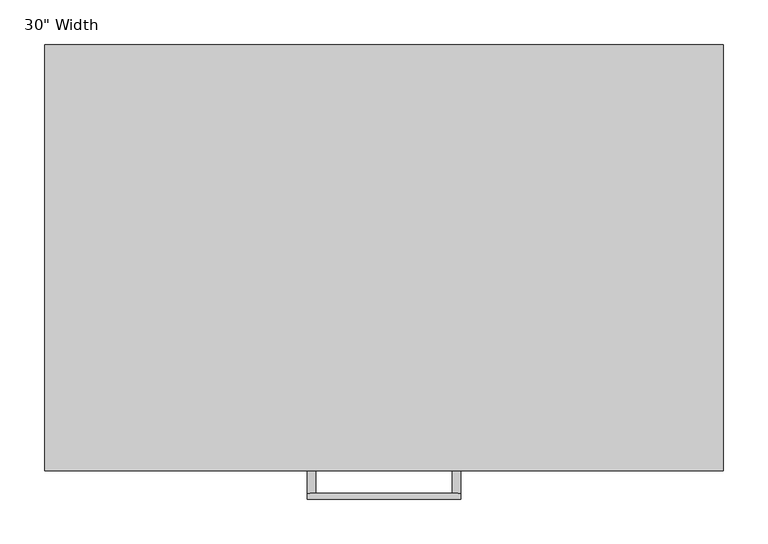
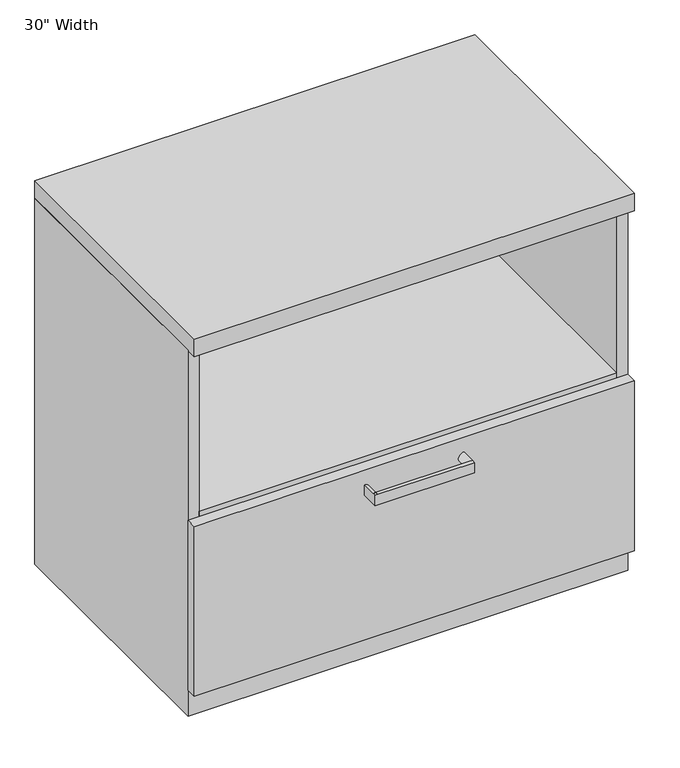
"""IFC4 building model written with IfcOpenShell, lengths in millimetres: furniture geometry."""

from ifc_helpers import new_model, si_unit, frame, origin, place, context, project, spatial, polyline, circle_curve, outline, extrude, faceted_brep, source, transform, mapped, element, save
from ifc_brep_helpers import plane_surface, cylinder_surface, advanced_brep


def furniture_0dea41ea(model_context):
    return source(origin(), model_context, "Body", "SolidModel", [
        advanced_brep(
        [(85.7249909, -507.9999879, 330.2), (-85.7249909, -507.9999879, 330.2), (-85.7249909, -507.9999879, 311.15), (85.7249909, -507.9999879, 311.15), (85.7249909, -501.6500121, 311.15), (-85.7249909, -501.6500121, 311.15), (-85.7249909, -501.6500121, 330.2), (85.7249909, -501.6500121, 330.2), (85.7249909, -476.25, 311.15), (85.7249909, -476.25, 330.2), (-85.7249909, -476.25, 311.15), (-85.7249909, -476.25, 330.2)],
        [
            (0, 1),
            (1, 2),
            (2, 3),
            (3, 0),
            (4, 5),
            (5, 6, circle_curve(frame((-85.7249909, -501.6500121, 320.675), z_axis=(0.0, -1.0, 0.0), x_axis=(1.0, 0.0, 0.0)), 9.525)),
            (6, 7),
            (7, 4, circle_curve(frame((85.7249909, -501.6500121, 320.675), z_axis=(0.0, -1.0, 0.0), x_axis=(-1.0, 0.0, 0.0)), 9.525)),
            (2, 5),
            (4, 3),
            (8, 9, circle_curve(frame((85.7249909, -476.25, 320.675), z_axis=(0.0, 1.0, 0.0), x_axis=(-1.0, 0.0, 0.0)), 9.525)),
            (9, 8),
            (8, 4),
            (7, 9),
            (7, 0),
            (10, 11),
            (11, 10, circle_curve(frame((-85.7249909, -476.25, 320.675), z_axis=(0.0, 1.0, 0.0), x_axis=(1.0, 0.0, 0.0)), 9.525)),
            (11, 6),
            (5, 10),
            (1, 6),
        ],
        [
            plane_surface(frame((-85.7249909, -507.9999879, 330.2), z_axis=(0.0, -1.0, 0.0), x_axis=(-1.0, 0.0, 0.0))),
            plane_surface(frame((-85.7249909, -501.6500121, 330.2), z_axis=(0.0, 1.0, 0.0), x_axis=(1.0, 0.0, 0.0))),
            plane_surface(frame((-85.7249909, -507.9999879, 311.15), z_axis=(0.0, 0.0, -1.0), x_axis=(0.0, 1.0, 0.0))),
            plane_surface(frame((85.7249909, -476.25, 330.2), z_axis=(0.0, 1.0, 0.0), x_axis=(0.0, 0.0, -1.0))),
            cylinder_surface(frame((85.7249909, -476.25, 320.675), z_axis=(0.0, -1.0, 0.0), x_axis=(-1.0, 0.0, 0.0)), 9.525),
            plane_surface(frame((85.7249909, -501.6500121, 311.15), z_axis=(1.0, 0.0, 0.0), x_axis=(0.0, 1.0, 0.0))),
            plane_surface(frame((-76.1999909, -476.25, 320.675), z_axis=(0.0, 1.0, 0.0), x_axis=(0.0, 0.0, -1.0))),
            cylinder_surface(frame((-85.7249909, -476.25, 320.675), z_axis=(0.0, -1.0, 0.0), x_axis=(1.0, 0.0, 0.0)), 9.525),
            plane_surface(frame((-85.7249909, -501.6500121, 330.2), z_axis=(-1.0, 0.0, 0.0), x_axis=(0.0, 1.0, 0.0))),
            plane_surface(frame((85.7249909, -507.9999879, 330.2), z_axis=(0.0, 0.0, 1.0), x_axis=(0.0, 1.0, 0.0))),
        ],
        [
            (0, [[1, 2, 3, 4]]),
            (1, [[5, 6, 7, 8]]),
            (2, [[-3, 9, -5, 10]]),
            (3, [[11, 12]]),
            (4, [[-11, 13, -8, 14]]),
            (5, [[-12, -14, 15, -4, -10, -13]]),
            (6, [[16, 17]]),
            (7, [[-17, 18, -6, 19]]),
            (8, [[-16, -19, -9, -2, 20, -18]]),
            (9, [[-1, -15, -7, -20]]),
        ],
    ),
        extrude(outline(polyline([(379.4125, -457.2), (379.4125, -476.25), (-379.4125, -476.25), (-379.4125, -457.2), (379.4125, -457.2)])), frame((0.0, 0.0, 47.625), z_axis=(0.0, 0.0, 1.0), x_axis=(1.0, 0.0, 0.0)), (0.0, 0.0, 1.0), 309.5625),
        faceted_brep([(379.4125, 0.0, 666.75), (-379.4125, 0.0, 666.75), (-379.4125, -457.2, 666.75), (-360.3625, -457.2, 666.75), (-360.3625, -19.05, 666.75), (360.3625, -19.05, 666.75), (360.3625, -457.2, 666.75), (379.4125, -457.2, 666.75), (379.4125, 0.0, 0.0), (-379.4125, 0.0, 0.0), (-379.4125, -457.2, 0.0), (379.4125, -457.2, 0.0), (360.3625, -457.2, 47.625), (-360.3625, -457.2, 47.625), (-360.3625, -19.05, 47.625), (360.3625, -19.05, 47.625)], [[[0, 1, 2, 3, 4, 5, 6, 7]], [[1, 0, 8, 9]], [[2, 1, 9, 10]], [[8, 0, 7, 11]], [[3, 2, 10, 11, 7, 6, 12, 13]], [[4, 3, 13, 14]], [[5, 4, 14, 15]], [[6, 5, 15, 12]], [[13, 12, 15, 14]], [[8, 11, 10, 9]]]),
        extrude(outline(polyline([(360.3625, -19.05), (360.3625, -457.2), (-360.3625, -457.2), (-360.3625, -19.05), (360.3625, -19.05)])), frame((0.0, 0.0, 347.6625), z_axis=(0.0, 0.0, 1.0), x_axis=(1.0, 0.0, 0.0)), (0.0, 0.0, 1.0), 19.05),
        extrude(outline(polyline([(379.4125, 0.0), (379.4125, -476.25), (-379.4125, -476.25), (-379.4125, 0.0), (379.4125, 0.0)])), frame((0.0, 0.0, 666.75), z_axis=(0.0, 0.0, 1.0), x_axis=(1.0, 0.0, 0.0)), (0.0, 0.0, 1.0), 31.75),
    ])


if __name__ == "__main__":
    model = new_model("IFC4")
    model_context = context("Model", 3, world=origin())
    ifc_project = project(units=[si_unit("LENGTHUNIT", "METRE", prefix="MILLI")], contexts=[model_context])
    site = spatial("IfcSite", under=ifc_project)
    building = spatial("IfcBuilding", under=site)
    placement = place(None, origin())
    furniture_shape = furniture_0dea41ea(model_context)
    element("IfcFurniture", 1, ObjectType="30\" Width", at=placement, inside=building, context=model_context, shape_type="MappedRepresentation", body=[
        mapped(furniture_shape, transform((0.0, 0.0, 0.0), x_axis=(1.0, 0.0, 0.0), y_axis=(0.0, 1.0, 0.0), z_axis=(0.0, 0.0, 1.0))),
    ])
    save(model, "model.ifc")
